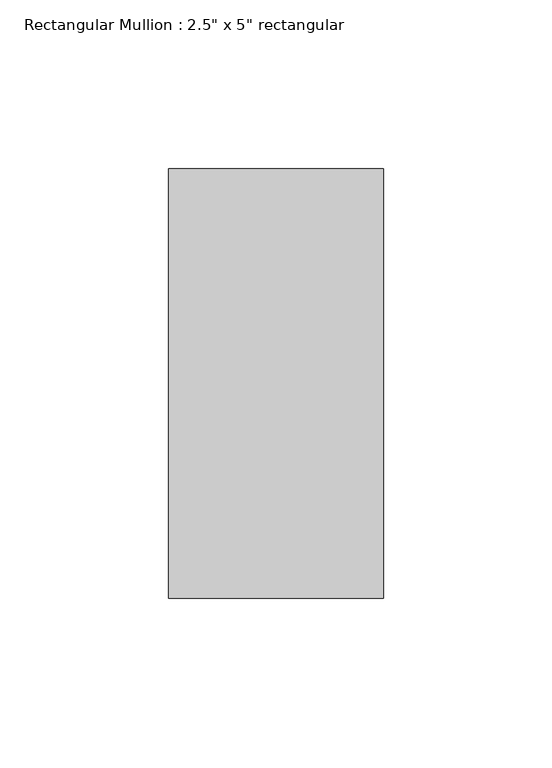
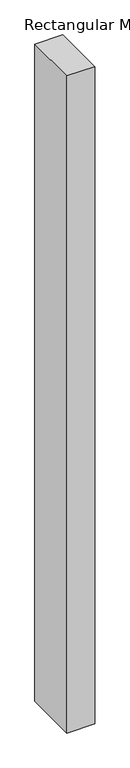
"""IFC4 building model written with IfcOpenShell, lengths in millimetres: member geometry."""

from ifc_helpers import new_model, si_unit, frame, origin, place, context, project, spatial, polyline, outline, extrude, source, transform, mapped, element, save


def member_d007db1a(model_context):
    return source(origin(), model_context, "Body", "SweptSolid", [
        extrude(outline(polyline([(0.0, 63.5), (0.0, -63.5), (-63.5, -63.5), (-63.5, 63.5), (0.0, 63.5)])), frame((0.0, 0.0, -1590.2564777), z_axis=(0.0, 0.0, 1.0), x_axis=(1.0, 0.0, 0.0)), (0.0, 0.0, 1.0), 1590.2564777),
    ])


if __name__ == "__main__":
    model = new_model("IFC4")
    model_context = context("Model", 3, world=origin())
    ifc_project = project(units=[si_unit("LENGTHUNIT", "METRE", prefix="MILLI")], contexts=[model_context])
    site = spatial("IfcSite", under=ifc_project)
    building = spatial("IfcBuilding", under=site)
    placement = place(None, origin())
    member_shape = member_d007db1a(model_context)
    element("IfcMember", 1, ObjectType="Rectangular Mullion : 2.5\" x 5\" rectangular", at=placement, inside=building, context=model_context, shape_type="MappedRepresentation", body=[
        mapped(member_shape, transform((0.0, 0.0, 0.0), x_axis=(1.0, 0.0, 0.0), y_axis=(0.0, 1.0, 0.0), z_axis=(0.0, 0.0, 1.0))),
    ])
    save(model, "model.ifc")
